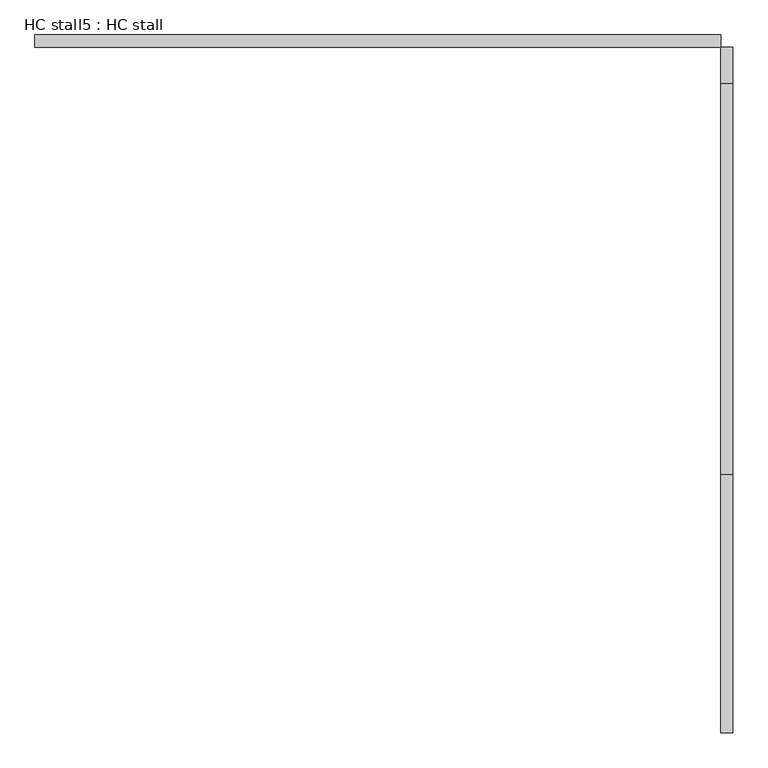
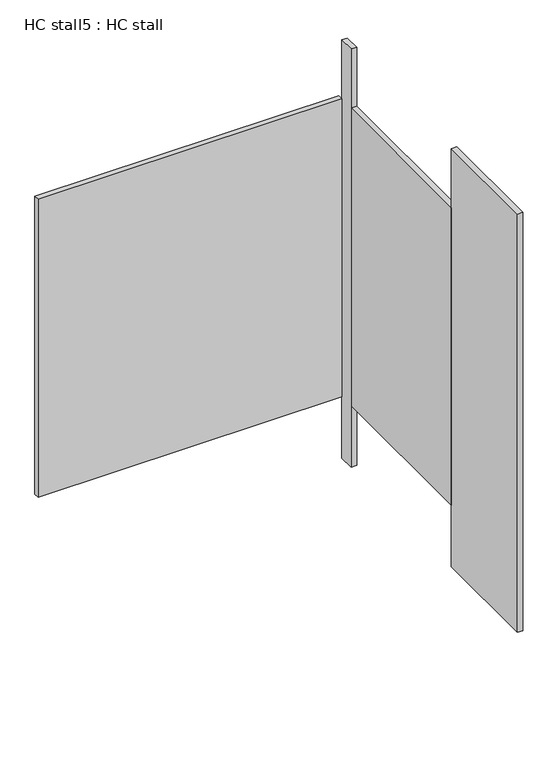
"""IFC4 building model written with IfcOpenShell, lengths in millimetres: proxy geometry, HC stall5 : HC stall."""

from ifc_helpers import new_model, si_unit, frame, origin, origin_with_axes, place, context, project, spatial, polyline, outline, extrude, source, transform, mapped, element, save


def hc_stall5_hc_stall_aadd39a3(model_context):
    return source(origin(), model_context, "Body", "SweptSolid", [
        extrude(outline(polyline([(456785.4504676, -280912.0738632), (458207.8504676, -280912.0738632), (458207.8504676, -280937.4738632), (456785.4504676, -280937.4738632), (456785.4504676, -280912.0738632)])), frame((0.0, 0.0, 304.8), z_axis=(0.0, 0.0, 1.0), x_axis=(1.0, 0.0, 0.0)), (0.0, 0.0, 1.0), 1473.2),
        extrude(outline(polyline([(458207.8504676, -281824.8863632), (458233.2504676, -281824.8863632), (458233.2504676, -282359.8738632), (458207.8504676, -282359.8738632), (458207.8504676, -281824.8863632)])), origin_with_axes(), (0.0, 0.0, 1.0), 2070.1),
        extrude(outline(polyline([(458207.8504676, -280937.4738632), (458233.2504676, -280937.4738632), (458233.2504676, -281012.0863632), (458207.8504676, -281012.0863632), (458207.8504676, -280937.4738632)])), origin_with_axes(), (0.0, 0.0, 1.0), 2070.1),
        extrude(outline(polyline([(458207.8504676, -281012.0863632), (458233.2504676, -281012.0863632), (458233.2504676, -281824.8863632), (458207.8504676, -281824.8863632), (458207.8504676, -281012.0863632)])), frame((0.0, 0.0, 304.8), z_axis=(0.0, 0.0, 1.0), x_axis=(1.0, 0.0, 0.0)), (0.0, 0.0, 1.0), 1473.2),
    ])


if __name__ == "__main__":
    model = new_model("IFC4")
    model_context = context("Model", 3, world=origin())
    ifc_project = project(units=[si_unit("LENGTHUNIT", "METRE", prefix="MILLI")], contexts=[model_context])
    site = spatial("IfcSite", under=ifc_project)
    building = spatial("IfcBuilding", under=site)
    placement = place(None, origin())
    hc_stall5_hc_stall_shape = hc_stall5_hc_stall_aadd39a3(model_context)
    element("IfcBuildingElementProxy", 1, Name="HC stall5 : HC stall", ObjectType="HC stall5 : HC stall", at=placement, inside=building, context=model_context, shape_type="MappedRepresentation", body=[
        mapped(hc_stall5_hc_stall_shape, transform((0.0, 0.0, 0.0), x_axis=(1.0, 0.0, 0.0), y_axis=(0.0, 1.0, 0.0), z_axis=(0.0, 0.0, 1.0))),
    ])
    save(model, "model.ifc")
